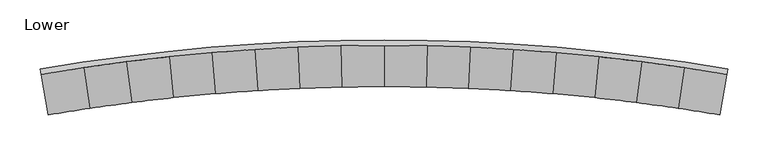
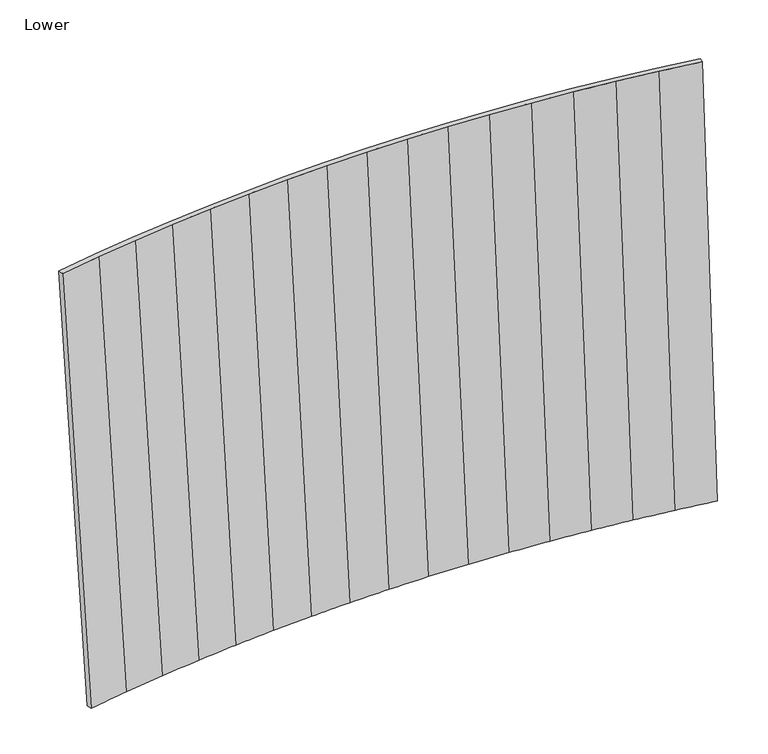
"""IFC4 building model written with IfcOpenShell, lengths in millimetres: furniture geometry, Lower."""

from ifc_helpers import new_model, si_unit, frame, origin, place, context, project, spatial, source, transform, mapped, element, save
from ifc_brep_helpers import plane_surface, spline_surface, advanced_brep


def lower_b51430da(model_context):
    return source(origin(), model_context, "Body", "AdvancedBrep", [
        advanced_brep(
        [(6.0977201, 38.5291072, 874.7093872), (7.237618, 31.8699728, 874.7093872), (60.2809817, 40.3723404, 874.7093872), (113.4926092, 47.7488024, 874.7093872), (166.8485912, 53.9960319, 874.7093872), (220.3249782, 59.1112357, 874.7093872), (273.8977438, 63.092111, 874.7093872), (327.5428342, 65.9368728, 874.7093872), (381.2361774, 67.6442404, 874.7093872), (434.9536108, 68.2134462, 874.7093872), (488.6710805, 67.6442404, 874.7093872), (542.3643874, 65.9368728, 874.7093872), (596.0095141, 63.0921155, 874.7093872), (649.5822979, 59.1112402, 874.7093872), (703.0586849, 53.9960364, 874.7093872), (756.4146578, 47.7488024, 874.7093872), (809.6262354, 40.3723449, 874.7093872), (862.6696547, 31.8699774, 874.7093872), (863.8094833, 38.5291026, 874.7093872), (810.624721, 47.0541409, 874.7093872), (757.2712915, 54.4502602, 874.7093872), (703.7731035, 60.7141493, 874.7093872), (650.1542107, 65.8429877, 874.7093872), (596.4387031, 69.8344728, 874.7093872), (542.6506345, 72.6868151, 874.7093872), (488.814204, 74.3987337, 874.7093872), (434.9536108, 74.969461, 874.7093872), (381.0929812, 74.3987337, 874.7093872), (327.2565508, 72.6868151, 874.7093872), (273.4685004, 69.8344728, 874.7093872), (219.7529564, 65.8429877, 874.7093872), (166.1340636, 60.7141493, 874.7093872), (112.6358756, 54.4502647, 874.7093872), (59.2824461, 47.0541409, 874.7093872), (14.9810939, -12.0494542, 287.1565872), (67.0645838, -3.7054115, 287.1565872), (119.3131115, 3.5336776, 287.1565872), (171.7032367, 9.664565, 287.1565872), (224.2114597, 14.6845007, 287.1565872), (276.8142082, 18.5912321, 287.1565872), (329.4879189, 21.3830085, 287.1565872), (382.2089378, 23.0585739, 287.1565872), (434.9536108, 23.6171813, 287.1565872), (487.6982838, 23.0585762, 287.1565872), (540.4193027, 21.3830085, 287.1565872), (593.0930134, 18.5912355, 287.1565872), (645.6957619, 14.6845041, 287.1565872), (698.2039667, 9.6645695, 287.1565872), (750.5940828, 3.5336827, 287.1565872), (802.8426378, -3.7054055, 287.1565872), (854.9261353, -12.0494435, 287.1565872), (853.7530478, -18.7029202, 287.1565872), (801.8149389, -10.3828612, 287.1565872), (749.7123053, -3.164581, 287.1565872), (697.4685465, 2.9486819, 287.1565872), (645.1069897, 7.9541861, 287.1565872), (592.6511799, 11.8496866, 287.1565872), (540.1246259, 14.6334352, 287.1565872), (487.550909, 16.304184, 287.1565872), (434.9536108, 16.8611847, 287.1565872), (382.3563126, 16.3041851, 287.1565872), (329.7825957, 14.6334375, 287.1565872), (277.2560417, 11.8496889, 287.1565872), (224.8002319, 7.9541895, 287.1565872), (172.4386751, 2.9486865, 287.1565872), (120.1948709, -3.1645756, 287.1565872), (68.0922463, -10.3828544, 287.1565872), (16.1541716, -18.7029134, 287.1565872)],
        [
            (0, 1),
            (1, 2),
            (2, 3),
            (3, 4),
            (4, 5),
            (5, 6),
            (6, 7),
            (7, 8),
            (8, 9),
            (9, 10),
            (10, 11),
            (11, 12),
            (12, 13),
            (13, 14),
            (14, 15),
            (15, 16),
            (16, 17),
            (17, 18),
            (18, 19),
            (19, 20),
            (20, 21),
            (21, 22),
            (22, 23),
            (23, 24),
            (24, 25),
            (25, 26),
            (26, 27),
            (27, 28),
            (28, 29),
            (29, 30),
            (30, 31),
            (31, 32),
            (32, 33),
            (33, 0),
            (34, 35),
            (35, 36),
            (36, 37),
            (37, 38),
            (38, 39),
            (39, 40),
            (40, 41),
            (41, 42),
            (42, 43),
            (43, 44),
            (44, 45),
            (45, 46),
            (46, 47),
            (47, 48),
            (48, 49),
            (49, 50),
            (50, 51),
            (51, 52),
            (52, 53),
            (53, 54),
            (54, 55),
            (55, 56),
            (56, 57),
            (57, 58),
            (58, 59),
            (59, 60),
            (60, 61),
            (61, 62),
            (62, 63),
            (63, 64),
            (64, 65),
            (65, 66),
            (66, 67),
            (67, 34),
            (67, 1),
            (0, 34),
            (66, 2),
            (65, 3),
            (64, 4),
            (63, 5),
            (62, 6),
            (61, 7),
            (60, 8),
            (59, 9),
            (58, 10),
            (57, 11),
            (56, 12),
            (55, 13),
            (54, 14),
            (53, 15),
            (52, 16),
            (51, 17),
            (50, 18),
            (49, 19),
            (48, 20),
            (47, 21),
            (46, 22),
            (45, 23),
            (44, 24),
            (43, 25),
            (42, 26),
            (41, 27),
            (40, 28),
            (39, 29),
            (38, 30),
            (37, 31),
            (36, 32),
            (35, 33),
        ],
        [
            plane_surface(frame((434.9536092, 57.9337494, 874.7093872), z_axis=(0.0, 0.0, 1.0), x_axis=(0.9905278566810993, 0.13731192642573906, 0.0))),
            plane_surface(frame((434.9536072, 6.8729247, 287.1565872), z_axis=(0.0, 0.0, -1.0), x_axis=(0.9905278566810993, 0.13731192642573906, 0.0))),
            spline_surface(1, 1, [[(14.9810939, -12.0494542, 287.1565872), (6.0977201, 38.5291072, 874.7093872)], [(16.1541716, -18.7029134, 287.1565872), (7.237618, 31.8699728, 874.7093872)]], [2, 2], [2, 2], [0.0, 1.0], [0.0, 1.0]),
            spline_surface(1, 1, [[(16.1541716, -18.7029134, 287.1565872), (7.237618, 31.8699728, 874.7093872)], [(68.0922463, -10.3828544, 287.1565872), (60.2809817, 40.3723404, 874.7093872)]], [2, 2], [2, 2], [0.0, 1.0], [0.0, 1.0]),
            spline_surface(1, 1, [[(68.0922463, -10.3828544, 287.1565872), (60.2809817, 40.3723404, 874.7093872)], [(120.1948709, -3.1645756, 287.1565872), (113.4926092, 47.7488024, 874.7093872)]], [2, 2], [2, 2], [0.0, 1.0], [0.0, 1.0]),
            spline_surface(1, 1, [[(120.1948709, -3.1645756, 287.1565872), (113.4926092, 47.7488024, 874.7093872)], [(172.4386751, 2.9486865, 287.1565872), (166.8485912, 53.9960319, 874.7093872)]], [2, 2], [2, 2], [0.0, 1.0], [0.0, 1.0]),
            spline_surface(1, 1, [[(172.4386751, 2.9486865, 287.1565872), (166.8485912, 53.9960319, 874.7093872)], [(224.8002319, 7.9541895, 287.1565872), (220.3249782, 59.1112357, 874.7093872)]], [2, 2], [2, 2], [0.0, 1.0], [0.0, 1.0]),
            spline_surface(1, 1, [[(224.8002319, 7.9541895, 287.1565872), (220.3249782, 59.1112357, 874.7093872)], [(277.2560417, 11.8496889, 287.1565872), (273.8977438, 63.092111, 874.7093872)]], [2, 2], [2, 2], [0.0, 1.0], [0.0, 1.0]),
            spline_surface(1, 1, [[(277.2560417, 11.8496889, 287.1565872), (273.8977438, 63.092111, 874.7093872)], [(329.7825957, 14.6334375, 287.1565872), (327.5428342, 65.9368728, 874.7093872)]], [2, 2], [2, 2], [0.0, 1.0], [0.0, 1.0]),
            spline_surface(1, 1, [[(329.7825957, 14.6334375, 287.1565872), (327.5428342, 65.9368728, 874.7093872)], [(382.3563126, 16.3041851, 287.1565872), (381.2361774, 67.6442404, 874.7093872)]], [2, 2], [2, 2], [0.0, 1.0], [0.0, 1.0]),
            spline_surface(1, 1, [[(382.3563126, 16.3041851, 287.1565872), (381.2361774, 67.6442404, 874.7093872)], [(434.9536108, 16.8611847, 287.1565872), (434.9536108, 68.2134462, 874.7093872)]], [2, 2], [2, 2], [0.0, 1.0], [0.0, 1.0]),
            spline_surface(1, 1, [[(434.9536108, 16.8611847, 287.1565872), (434.9536108, 68.2134462, 874.7093872)], [(487.550909, 16.304184, 287.1565872), (488.6710805, 67.6442404, 874.7093872)]], [2, 2], [2, 2], [0.0, 1.0], [0.0, 1.0]),
            spline_surface(1, 1, [[(487.550909, 16.304184, 287.1565872), (488.6710805, 67.6442404, 874.7093872)], [(540.1246259, 14.6334352, 287.1565872), (542.3643874, 65.9368728, 874.7093872)]], [2, 2], [2, 2], [0.0, 1.0], [0.0, 1.0]),
            spline_surface(1, 1, [[(540.1246259, 14.6334352, 287.1565872), (542.3643874, 65.9368728, 874.7093872)], [(592.6511799, 11.8496866, 287.1565872), (596.0095141, 63.0921155, 874.7093872)]], [2, 2], [2, 2], [0.0, 1.0], [0.0, 1.0]),
            spline_surface(1, 1, [[(592.6511799, 11.8496866, 287.1565872), (596.0095141, 63.0921155, 874.7093872)], [(645.1069897, 7.9541861, 287.1565872), (649.5822979, 59.1112402, 874.7093872)]], [2, 2], [2, 2], [0.0, 1.0], [0.0, 1.0]),
            spline_surface(1, 1, [[(645.1069897, 7.9541861, 287.1565872), (649.5822979, 59.1112402, 874.7093872)], [(697.4685465, 2.9486819, 287.1565872), (703.0586849, 53.9960364, 874.7093872)]], [2, 2], [2, 2], [0.0, 1.0], [0.0, 1.0]),
            spline_surface(1, 1, [[(697.4685465, 2.9486819, 287.1565872), (703.0586849, 53.9960364, 874.7093872)], [(749.7123053, -3.164581, 287.1565872), (756.4146578, 47.7488024, 874.7093872)]], [2, 2], [2, 2], [0.0, 1.0], [0.0, 1.0]),
            spline_surface(1, 1, [[(749.7123053, -3.164581, 287.1565872), (756.4146578, 47.7488024, 874.7093872)], [(801.8149389, -10.3828612, 287.1565872), (809.6262354, 40.3723449, 874.7093872)]], [2, 2], [2, 2], [0.0, 1.0], [0.0, 1.0]),
            spline_surface(1, 1, [[(801.8149389, -10.3828612, 287.1565872), (809.6262354, 40.3723449, 874.7093872)], [(853.7530478, -18.7029202, 287.1565872), (862.6696547, 31.8699774, 874.7093872)]], [2, 2], [2, 2], [0.0, 1.0], [0.0, 1.0]),
            spline_surface(1, 1, [[(853.7530478, -18.7029202, 287.1565872), (862.6696547, 31.8699774, 874.7093872)], [(854.9261353, -12.0494435, 287.1565872), (863.8094833, 38.5291026, 874.7093872)]], [2, 2], [2, 2], [0.0, 1.0], [0.0, 1.0]),
            spline_surface(1, 1, [[(854.9261353, -12.0494435, 287.1565872), (863.8094833, 38.5291026, 874.7093872)], [(802.8426378, -3.7054055, 287.1565872), (810.624721, 47.0541409, 874.7093872)]], [2, 2], [2, 2], [0.0, 1.0], [0.0, 1.0]),
            spline_surface(1, 1, [[(802.8426378, -3.7054055, 287.1565872), (810.624721, 47.0541409, 874.7093872)], [(750.5940828, 3.5336827, 287.1565872), (757.2712915, 54.4502602, 874.7093872)]], [2, 2], [2, 2], [0.0, 1.0], [0.0, 1.0]),
            spline_surface(1, 1, [[(750.5940828, 3.5336827, 287.1565872), (757.2712915, 54.4502602, 874.7093872)], [(698.2039667, 9.6645695, 287.1565872), (703.7731035, 60.7141493, 874.7093872)]], [2, 2], [2, 2], [0.0, 1.0], [0.0, 1.0]),
            spline_surface(1, 1, [[(698.2039667, 9.6645695, 287.1565872), (703.7731035, 60.7141493, 874.7093872)], [(645.6957619, 14.6845041, 287.1565872), (650.1542107, 65.8429877, 874.7093872)]], [2, 2], [2, 2], [0.0, 1.0], [0.0, 1.0]),
            spline_surface(1, 1, [[(645.6957619, 14.6845041, 287.1565872), (650.1542107, 65.8429877, 874.7093872)], [(593.0930134, 18.5912355, 287.1565872), (596.4387031, 69.8344728, 874.7093872)]], [2, 2], [2, 2], [0.0, 1.0], [0.0, 1.0]),
            spline_surface(1, 1, [[(593.0930134, 18.5912355, 287.1565872), (596.4387031, 69.8344728, 874.7093872)], [(540.4193027, 21.3830085, 287.1565872), (542.6506345, 72.6868151, 874.7093872)]], [2, 2], [2, 2], [0.0, 1.0], [0.0, 1.0]),
            spline_surface(1, 1, [[(540.4193027, 21.3830085, 287.1565872), (542.6506345, 72.6868151, 874.7093872)], [(487.6982838, 23.0585762, 287.1565872), (488.814204, 74.3987337, 874.7093872)]], [2, 2], [2, 2], [0.0, 1.0], [0.0, 1.0]),
            spline_surface(1, 1, [[(487.6982838, 23.0585762, 287.1565872), (488.814204, 74.3987337, 874.7093872)], [(434.9536108, 23.6171813, 287.1565872), (434.9536108, 74.969461, 874.7093872)]], [2, 2], [2, 2], [0.0, 1.0], [0.0, 1.0]),
            spline_surface(1, 1, [[(434.9536108, 23.6171813, 287.1565872), (434.9536108, 74.969461, 874.7093872)], [(382.2089378, 23.0585739, 287.1565872), (381.0929812, 74.3987337, 874.7093872)]], [2, 2], [2, 2], [0.0, 1.0], [0.0, 1.0]),
            spline_surface(1, 1, [[(382.2089378, 23.0585739, 287.1565872), (381.0929812, 74.3987337, 874.7093872)], [(329.4879189, 21.3830085, 287.1565872), (327.2565508, 72.6868151, 874.7093872)]], [2, 2], [2, 2], [0.0, 1.0], [0.0, 1.0]),
            spline_surface(1, 1, [[(329.4879189, 21.3830085, 287.1565872), (327.2565508, 72.6868151, 874.7093872)], [(276.8142082, 18.5912321, 287.1565872), (273.4685004, 69.8344728, 874.7093872)]], [2, 2], [2, 2], [0.0, 1.0], [0.0, 1.0]),
            spline_surface(1, 1, [[(276.8142082, 18.5912321, 287.1565872), (273.4685004, 69.8344728, 874.7093872)], [(224.2114597, 14.6845007, 287.1565872), (219.7529564, 65.8429877, 874.7093872)]], [2, 2], [2, 2], [0.0, 1.0], [0.0, 1.0]),
            spline_surface(1, 1, [[(224.2114597, 14.6845007, 287.1565872), (219.7529564, 65.8429877, 874.7093872)], [(171.7032367, 9.664565, 287.1565872), (166.1340636, 60.7141493, 874.7093872)]], [2, 2], [2, 2], [0.0, 1.0], [0.0, 1.0]),
            spline_surface(1, 1, [[(171.7032367, 9.664565, 287.1565872), (166.1340636, 60.7141493, 874.7093872)], [(119.3131115, 3.5336776, 287.1565872), (112.6358756, 54.4502647, 874.7093872)]], [2, 2], [2, 2], [0.0, 1.0], [0.0, 1.0]),
            spline_surface(1, 1, [[(119.3131115, 3.5336776, 287.1565872), (112.6358756, 54.4502647, 874.7093872)], [(67.0645838, -3.7054115, 287.1565872), (59.2824461, 47.0541409, 874.7093872)]], [2, 2], [2, 2], [0.0, 1.0], [0.0, 1.0]),
            spline_surface(1, 1, [[(67.0645838, -3.7054115, 287.1565872), (59.2824461, 47.0541409, 874.7093872)], [(14.9810939, -12.0494542, 287.1565872), (6.0977201, 38.5291072, 874.7093872)]], [2, 2], [2, 2], [0.0, 1.0], [0.0, 1.0]),
        ],
        [
            (0, [[1, 2, 3, 4, 5, 6, 7, 8, 9, 10, 11, 12, 13, 14, 15, 16, 17, 18, 19, 20, 21, 22, 23, 24, 25, 26, 27, 28, 29, 30, 31, 32, 33, 34]]),
            (1, [[35, 36, 37, 38, 39, 40, 41, 42, 43, 44, 45, 46, 47, 48, 49, 50, 51, 52, 53, 54, 55, 56, 57, 58, 59, 60, 61, 62, 63, 64, 65, 66, 67, 68]]),
            (2, [[-68, 69, -1, 70]]),
            (3, [[-67, 71, -2, -69]]),
            (4, [[-66, 72, -3, -71]]),
            (5, [[-65, 73, -4, -72]]),
            (6, [[-64, 74, -5, -73]]),
            (7, [[-63, 75, -6, -74]]),
            (8, [[-62, 76, -7, -75]]),
            (9, [[-61, 77, -8, -76]]),
            (10, [[-60, 78, -9, -77]]),
            (11, [[-59, 79, -10, -78]]),
            (12, [[-58, 80, -11, -79]]),
            (13, [[-57, 81, -12, -80]]),
            (14, [[-56, 82, -13, -81]]),
            (15, [[-55, 83, -14, -82]]),
            (16, [[-54, 84, -15, -83]]),
            (17, [[-53, 85, -16, -84]]),
            (18, [[-52, 86, -17, -85]]),
            (19, [[-51, 87, -18, -86]]),
            (20, [[-50, 88, -19, -87]]),
            (21, [[-49, 89, -20, -88]]),
            (22, [[-48, 90, -21, -89]]),
            (23, [[-47, 91, -22, -90]]),
            (24, [[-46, 92, -23, -91]]),
            (25, [[-45, 93, -24, -92]]),
            (26, [[-44, 94, -25, -93]]),
            (27, [[-43, 95, -26, -94]]),
            (28, [[-42, 96, -27, -95]]),
            (29, [[-41, 97, -28, -96]]),
            (30, [[-40, 98, -29, -97]]),
            (31, [[-39, 99, -30, -98]]),
            (32, [[-38, 100, -31, -99]]),
            (33, [[-37, 101, -32, -100]]),
            (34, [[-36, 102, -33, -101]]),
            (35, [[-35, -70, -34, -102]]),
        ],
    ),
    ])


if __name__ == "__main__":
    model = new_model("IFC4")
    model_context = context("Model", 3, world=origin())
    ifc_project = project(units=[si_unit("LENGTHUNIT", "METRE", prefix="MILLI")], contexts=[model_context])
    site = spatial("IfcSite", under=ifc_project)
    building = spatial("IfcBuilding", under=site)
    placement = place(None, origin())
    lower_shape = lower_b51430da(model_context)
    element("IfcFurniture", 1, ObjectType="Lower", at=placement, inside=building, context=model_context, shape_type="MappedRepresentation", body=[
        mapped(lower_shape, transform((0.0, 0.0, 0.0), x_axis=(1.0, 0.0, 0.0), y_axis=(0.0, 1.0, 0.0), z_axis=(0.0, 0.0, 1.0))),
    ])
    save(model, "model.ifc")
